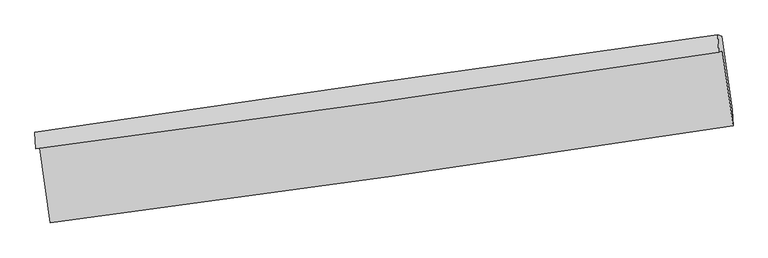
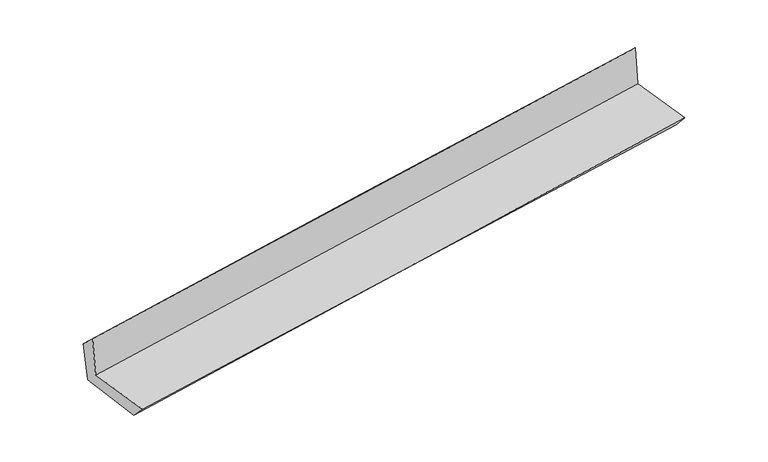
"""IFC4 building model written with IfcOpenShell, lengths in millimetres: proxy geometry."""

from ifc_helpers import new_model, si_unit, frame, origin, place, context, project, spatial, source, transform, mapped, element, save
from ifc_brep_helpers import plane_surface, spline_curve, spline_surface, advanced_brep


def generic_models_6d294080(model_context):
    return source(origin(), model_context, "Body", "AdvancedBrep", [
        advanced_brep(
        [(-3000.0934724, -1924.4059566, 1647.2812142), (-2907.968729, -2573.1951656, 1647.3019625), (3046.2497801, -1726.8874733, 2149.5930875), (2953.3649593, -1072.5376215, 2149.2258877), (-3033.6136978, -1928.8697057, 2048.1132604), (2920.8616304, -1087.0791432, 2554.9180799), (-3042.6492354, -1783.2434392, 1911.4705378), (2912.2905182, -935.9787407, 2403.7023048), (-3008.1127415, -1794.2569979, 1524.5042454), (2946.8182861, -946.9895167, 2016.8337834), (-2915.1006399, -2436.1209434, 1502.5701229), (3039.8307597, -1588.8560299, 1994.8995732)],
        [
            (0, 1),
            (1, 2, spline_curve(3, [(-2907.968729, -2573.1951656, 1647.3019625), (-1914.441326339, -2443.957385176, 1737.149629139), (-921.494060953, -2308.813056104, 1823.93095384), (1063.245448389, -2026.710554737, 1991.36136105), (2055.037685831, -1879.752319468, 2072.010411728), (3046.2497801, -1726.8874733, 2149.5930875)], [4, 2, 4], [0.0, 9.900063214285217, 19.80017882797727])),
            (2, 3),
            (3, 0, spline_curve(3, [(2953.3649593, -1072.5376215, 2149.2258877), (1961.557162864, -1221.171548649, 2071.583615212), (969.530415009, -1366.477718954, 1990.933637856), (-1014.955731244, -1650.433795582, 1823.618714528), (-2007.41512721, -1789.083736585, 1736.953801191), (-3000.0934724, -1924.4059566, 1647.2812142)], [4, 2, 4], [0.0, 9.900115613692053, 19.80017882797727])),
            (4, 0),
            (3, 5),
            (5, 4, spline_curve(3, [(2920.8616304, -1087.0791432, 2554.9180799), (1929.229714376, -1237.389850742, 2478.006001823), (937.206164828, -1382.694590336, 2397.316106282), (-1047.618948966, -1663.29139149, 2228.38112639), (-2040.420508466, -1798.583505966, 2140.136082295), (-3033.6136978, -1928.8697057, 2048.1132604)], [4, 2, 4], [0.0, 9.900129228112657, 19.80020605674642])),
            (6, 4),
            (5, 7),
            (7, 6, spline_curve(3, [(2912.2905182, -935.9787407, 2403.7023048), (1918.848585692, -1072.177829523, 2324.515797496), (925.881327702, -1210.882959117, 2243.9031175), (-1059.098585029, -1493.304552079, 2079.825846916), (-2051.111245202, -1637.020988648, 1996.361271132), (-3042.6492354, -1783.2434392, 1911.4705378)], [4, 2, 4], [0.0, 9.900017164728425, 19.799981930571086])),
            (8, 6),
            (7, 9),
            (9, 8, spline_curve(3, [(2946.8182861, -946.9895167, 2016.8337834), (1953.371990352, -1083.187214446, 1937.696161786), (960.403278231, -1221.891880111, 1857.099777284), (-1024.573725766, -1504.314400283, 1692.989915618), (-2016.582022915, -1648.032228412, 1609.476454499), (-3008.1127415, -1794.2569979, 1524.5042454)], [4, 2, 4], [0.0, 9.90004143083227, 19.800030462650337])),
            (10, 8),
            (9, 11),
            (11, 10, spline_curve(3, [(3039.8307597, -1588.8560299, 1994.8995732), (2046.862618668, -1728.353407764, 1915.649193181), (1054.132952332, -1868.707695247, 1834.996436864), (-930.844178667, -2151.129342149, 1670.886605039), (-1923.091645099, -2293.196692343, 1587.429544681), (-2915.1006399, -2436.1209434, 1502.5701229)], [4, 2, 4], [0.0, 9.900020559327313, 19.799988719750893])),
            (1, 10),
            (11, 2),
        ],
        [
            spline_surface(3, 3, [[(-3000.0934724, -1924.4059566, 1647.2812142), (-2007.415127355, -1789.083736682, 1736.953801154), (-1014.955731217, -1650.433795502, 1823.618714686), (969.530414982, -1366.477719033, 1990.933637698), (1961.557162781, -1221.171548504, 2071.583615318), (2953.3649593, -1072.5376215, 2149.2258877)], [(-2969.385224614, -2140.669026268, 1647.288130298), (-1976.423860363, -2007.374952831, 1737.019077175), (-983.801841093, -1869.893549058, 1823.722794348), (1000.768759438, -1586.555330886, 1991.07621218), (1992.717337164, -1440.698472149, 2071.725880772), (2984.32656626, -1290.654238764, 2149.348287636)], [(-2938.676976786, -2356.932095932, 1647.295046402), (-1945.432593327, -2225.666168975, 1737.084353202), (-952.647951004, -2089.353302653, 1823.826874047), (1032.00710386, -1806.63294278, 1991.218786699), (2023.877511468, -1660.225395803, 2071.868146217), (3015.28817314, -1508.770856036, 2149.470687564)], [(-2907.968729, -2573.1951656, 1647.3019625), (-1914.441326335, -2443.957385124, 1737.149629223), (-921.49406088, -2308.813056208, 1823.930953709), (1063.245448316, -2026.710554633, 1991.361361181), (2055.037685851, -1879.752319449, 2072.01041167), (3046.2497801, -1726.8874733, 2149.5930875)]], [4, 4], [4, 2, 4], [0.0, 2.1847619790431896], [0.0, 9.900063214285217, 19.80017882797727]),
            spline_surface(3, 3, [[(-3033.6136978, -1928.8697057, 2048.1132604), (-2040.42050861, -1798.583505995, 2140.136082292), (-1047.618948843, -1663.291391507, 2228.381126418), (937.206164706, -1382.694590319, 2397.316106253), (1929.229714332, -1237.389850665, 2478.006001938), (2920.8616304, -1087.0791432, 2554.9180799)], [(-3022.440289316, -1927.381789338, 1914.502578328), (-2029.418714841, -1795.416916228, 2005.741988575), (-1036.731209637, -1659.005526172, 2093.460322499), (947.980914795, -1377.288966557, 2261.855283394), (1940.005530476, -1231.983749965, 2342.531873056), (2931.696073361, -1082.231969321, 2419.687349158)], [(-3011.266880884, -1925.893872962, 1780.891896272), (-2018.416921124, -1792.250326448, 1871.347894872), (-1025.843470423, -1654.719660837, 1958.539518604), (958.755664893, -1371.883342795, 2126.394460558), (1950.781346637, -1226.577649203, 2207.0577442), (2942.530516339, -1077.384795379, 2284.456618442)], [(-3000.0934724, -1924.4059566, 1647.2812142), (-2007.415127355, -1789.083736682, 1736.953801154), (-1014.955731217, -1650.433795502, 1823.618714686), (969.530414982, -1366.477719033, 1990.933637698), (1961.557162781, -1221.171548504, 2071.583615318), (2953.3649593, -1072.5376215, 2149.2258877)]], [4, 4], [4, 2, 4], [0.0, 1.3357337653904233], [0.0, 9.900076828633761, 19.80020605674642]),
            spline_surface(3, 3, [[(-3042.6492354, -1783.2434392, 1911.4705378), (-2051.111245135, -1637.020988547, 1996.361271029), (-1059.098585088, -1493.304551946, 2079.825846843), (925.88132776, -1210.882959251, 2243.903117573), (1918.848585567, -1072.177829686, 2324.515797492), (2912.2905182, -935.9787407, 2403.7023048)], [(-3039.63738954, -1831.785528038, 1957.018111987), (-2047.5476663, -1690.875161034, 2044.286208104), (-1055.272039673, -1549.966831814, 2129.344273382), (929.656273409, -1268.153502955, 2295.040780481), (1922.308961813, -1127.248503339, 2375.679199006), (2915.147555591, -986.345541526, 2454.107563198)], [(-3036.62554366, -1880.327616862, 2002.565686213), (-2043.984087445, -1744.729333508, 2092.211145217), (-1051.445494259, -1606.629111638, 2178.862699878), (933.431219057, -1325.424046615, 2346.178443346), (1925.769338086, -1182.319177012, 2426.842600425), (2918.004593009, -1036.712342374, 2504.512821502)], [(-3033.6136978, -1928.8697057, 2048.1132604), (-2040.42050861, -1798.583505995, 2140.136082292), (-1047.618948843, -1663.291391507, 2228.381126418), (937.206164706, -1382.694590319, 2397.316106253), (1929.229714332, -1237.389850665, 2478.006001938), (2920.8616304, -1087.0791432, 2554.9180799)]], [4, 4], [4, 2, 4], [0.0, 0.7491011336690855], [0.0, 9.899964765842661, 19.799981930571086]),
            spline_surface(3, 3, [[(-3008.1127415, -1794.2569979, 1524.5042454), (-2016.582022897, -1648.032228341, 1609.476454417), (-1024.573725842, -1504.314400331, 1692.98991573), (960.403278306, -1221.891880063, 1857.099777172), (1953.371990444, -1083.187214334, 1937.696161858), (2946.8182861, -946.9895167, 2016.8337834)], [(-3019.624906136, -1790.585811678, 1653.493009549), (-2028.091763646, -1644.361815087, 1738.43805997), (-1036.082012256, -1500.644450859, 1821.935226099), (948.895961459, -1218.222239782, 1986.034223971), (1941.864188818, -1079.51741946, 2066.636040385), (2935.309030133, -943.319258041, 2145.789957182)], [(-3031.137070764, -1786.914625422, 1782.481773651), (-2039.601504386, -1640.691401801, 1867.399665476), (-1047.590298673, -1496.974501418, 1950.880536473), (937.388644608, -1214.552599531, 2114.968670774), (1930.356387193, -1075.847624561, 2195.575918965), (2923.799774167, -939.648999359, 2274.746131018)], [(-3042.6492354, -1783.2434392, 1911.4705378), (-2051.111245135, -1637.020988547, 1996.361271029), (-1059.098585088, -1493.304551946, 2079.825846843), (925.88132776, -1210.882959251, 2243.903117573), (1918.848585567, -1072.177829686, 2324.515797492), (2912.2905182, -935.9787407, 2403.7023048)]], [4, 4], [4, 2, 4], [0.0, 1.2746495894011627], [0.0, 9.899989031818068, 19.800030462650337]),
            spline_surface(3, 3, [[(-2915.1006399, -2436.1209434, 1502.5701229), (-1923.091645215, -2293.196692463, 1587.429544806), (-930.844178521, -2151.129342149, 1670.886605152), (1054.132952186, -1868.707695247, 1834.99643675), (2046.862618629, -1728.353407723, 1915.649193199), (3039.8307597, -1588.8560299, 1994.8995732)], [(-2946.10467375, -2222.166294886, 1509.881497055), (-1954.255104426, -2078.141871075, 1594.778514665), (-962.087360959, -1935.524361544, 1678.25437535), (1022.889727562, -1653.10242352, 1842.364216896), (2015.69907589, -1513.298009913, 1922.998182756), (3008.826601822, -1374.900525486, 2002.210976604)], [(-2977.10870765, -2008.211646414, 1517.192871245), (-1985.418563686, -1863.087049729, 1602.127484558), (-993.330543404, -1719.919380936, 1685.622145532), (991.64650293, -1437.49715179, 1849.731997026), (1984.535533183, -1298.242612144, 1930.347172301), (2977.822443978, -1160.945021114, 2009.522379996)], [(-3008.1127415, -1794.2569979, 1524.5042454), (-2016.582022897, -1648.032228341, 1609.476454417), (-1024.573725842, -1504.314400331, 1692.98991573), (960.403278306, -1221.891880063, 1857.099777172), (1953.371990444, -1083.187214334, 1937.696161858), (2946.8182861, -946.9895167, 2016.8337834)]], [4, 4], [4, 2, 4], [0.0, 2.1454885133705726], [0.0, 9.89996816042358, 19.799988719750893]),
            spline_surface(3, 3, [[(-2907.968729, -2573.1951656, 1647.3019625), (-1914.441326335, -2443.957385124, 1737.149629223), (-921.49406088, -2308.813056208, 1823.930953709), (1063.245448316, -2026.710554633, 1991.361361181), (2055.037685851, -1879.752319449, 2072.01041167), (3046.2497801, -1726.8874733, 2149.5930875)], [(-2910.346032643, -2527.503758193, 1599.058015982), (-1917.324765971, -2393.703820896, 1687.242934433), (-924.610766773, -2256.251818196, 1772.916170859), (1060.207949594, -1974.042934846, 1939.239719706), (2052.312663444, -1829.286015535, 2019.890005502), (3044.110106633, -1680.876992161, 2098.028582722)], [(-2912.723336257, -2481.812350807, 1550.814069418), (-1920.208205579, -2343.45025669, 1637.336239597), (-927.727472628, -2203.690580161, 1721.901388003), (1057.170450908, -1921.375315034, 1887.118078225), (2049.587641037, -1778.819711637, 1967.769599367), (3041.970433167, -1634.866511039, 2046.464077978)], [(-2915.1006399, -2436.1209434, 1502.5701229), (-1923.091645215, -2293.196692463, 1587.429544806), (-930.844178521, -2151.129342149, 1670.886605152), (1054.132952186, -1868.707695247, 1834.99643675), (2046.862618629, -1728.353407723, 1915.649193199), (3039.8307597, -1588.8560299, 1994.8995732)]], [4, 4], [4, 2, 4], [0.0, 0.7257500222037219], [0.0, 9.899977619124213, 19.80000763720222]),
            plane_surface(frame((2969.9026556, -1226.3880876, 2211.5287861), z_axis=(0.9865638736485831, 0.14008970335741025, 0.08406306100027118), x_axis=(-0.08886031502525465, 0.028337221933993947, 0.9956409223543777))),
            plane_surface(frame((-2984.5897527, -2073.3487014, 1713.5402239), z_axis=(-0.9865638736486616, -0.14008970335713067, -0.08406306099981906), x_axis=(-0.1405846764518847, 0.9900686580962, -3.166241916837169e-05))),
        ],
        [
            (0, [[1, 2, 3, 4]]),
            (1, [[5, -4, 6, 7]]),
            (2, [[8, -7, 9, 10]]),
            (3, [[11, -10, 12, 13]]),
            (4, [[14, -13, 15, 16]]),
            (5, [[17, -16, 18, -2]]),
            (6, [[-12, -9, -6, -3, -18, -15]]),
            (7, [[-1, -5, -8, -11, -14, -17]]),
        ],
    ),
    ])


if __name__ == "__main__":
    model = new_model("IFC4")
    model_context = context("Model", 3, world=origin())
    ifc_project = project(units=[si_unit("LENGTHUNIT", "METRE", prefix="MILLI")], contexts=[model_context])
    site = spatial("IfcSite", under=ifc_project)
    building = spatial("IfcBuilding", under=site)
    placement = place(None, origin())
    generic_models_shape = generic_models_6d294080(model_context)
    element("IfcBuildingElementProxy", 1, Name="Generic Models", at=placement, inside=building, context=model_context, shape_type="MappedRepresentation", body=[
        mapped(generic_models_shape, transform((0.0, 0.0, 0.0), x_axis=(1.0, 0.0, 0.0), y_axis=(0.0, 1.0, 0.0), z_axis=(0.0, 0.0, 1.0))),
    ])
    save(model, "model.ifc")
